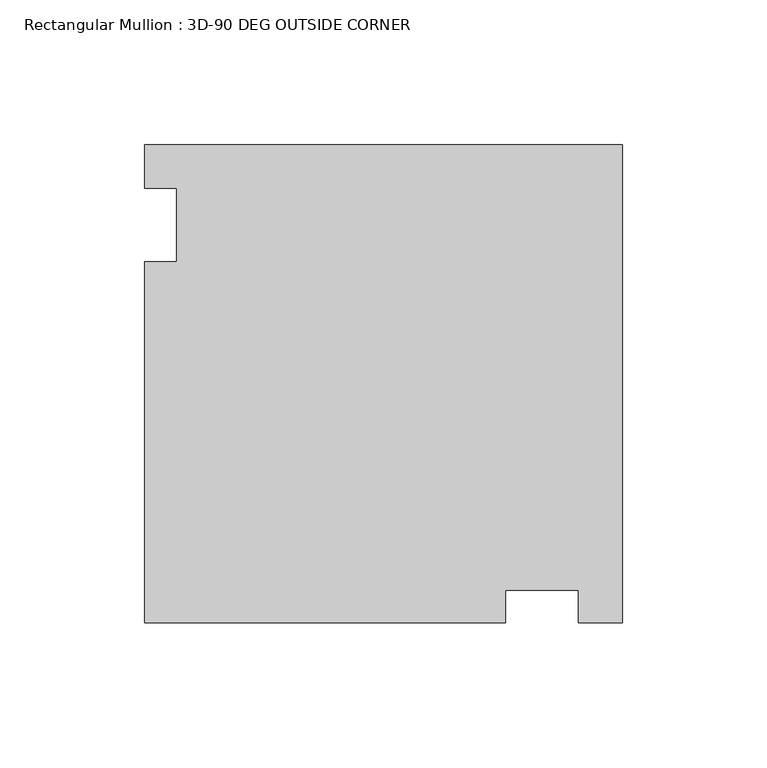
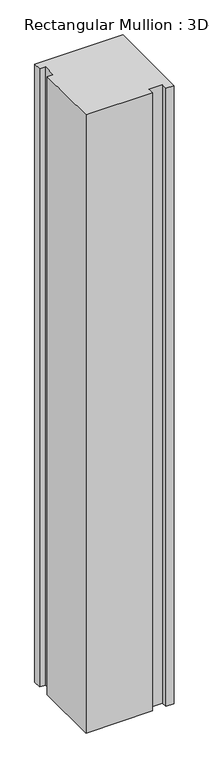
"""IFC4 building model written with IfcOpenShell, lengths in millimetres: member geometry, Rectangular Mullion : 3D-90 DEG OUTSIDE CORNER."""

from ifc_helpers import new_model, si_unit, frame, origin, place, context, project, spatial, polyline, outline, extrude, source, transform, mapped, element, save


def rectangular_mullion_3d_90_deg_outside_corner_612abee6(model_context):
    return source(origin(), model_context, "Body", "SweptSolid", [
        extrude(outline(polyline([(-165.0999861, 37.828848), (-153.9874861, 37.828848), (-153.9874861, 63.0743125), (-165.0999861, 63.0743125), (-165.0999861, 78.184368), (0.0, 78.184368), (0.0, -86.915618), (-15.1264516, -86.915618), (-15.1264516, -75.803118), (-40.35552, -75.803118), (-40.35552, -86.915618), (-165.0999861, -86.915618), (-165.0999861, 37.828848)])), frame((0.0, 0.0, -1219.2), z_axis=(0.0, 0.0, 1.0), x_axis=(1.0, 0.0, 0.0)), (0.0, 0.0, 1.0), 1219.2),
    ])


if __name__ == "__main__":
    model = new_model("IFC4")
    model_context = context("Model", 3, world=origin())
    ifc_project = project(units=[si_unit("LENGTHUNIT", "METRE", prefix="MILLI")], contexts=[model_context])
    site = spatial("IfcSite", under=ifc_project)
    building = spatial("IfcBuilding", under=site)
    placement = place(None, origin())
    rectangular_mullion_3d_90_deg_outside_corner_shape = rectangular_mullion_3d_90_deg_outside_corner_612abee6(model_context)
    element("IfcMember", 1, ObjectType="Rectangular Mullion : 3D-90 DEG OUTSIDE CORNER", at=placement, inside=building, context=model_context, shape_type="MappedRepresentation", body=[
        mapped(rectangular_mullion_3d_90_deg_outside_corner_shape, transform((0.0, 0.0, 0.0), x_axis=(1.0, 0.0, 0.0), y_axis=(0.0, 1.0, 0.0), z_axis=(0.0, 0.0, 1.0))),
    ])
    save(model, "model.ifc")
